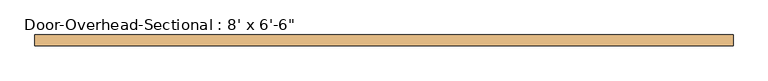
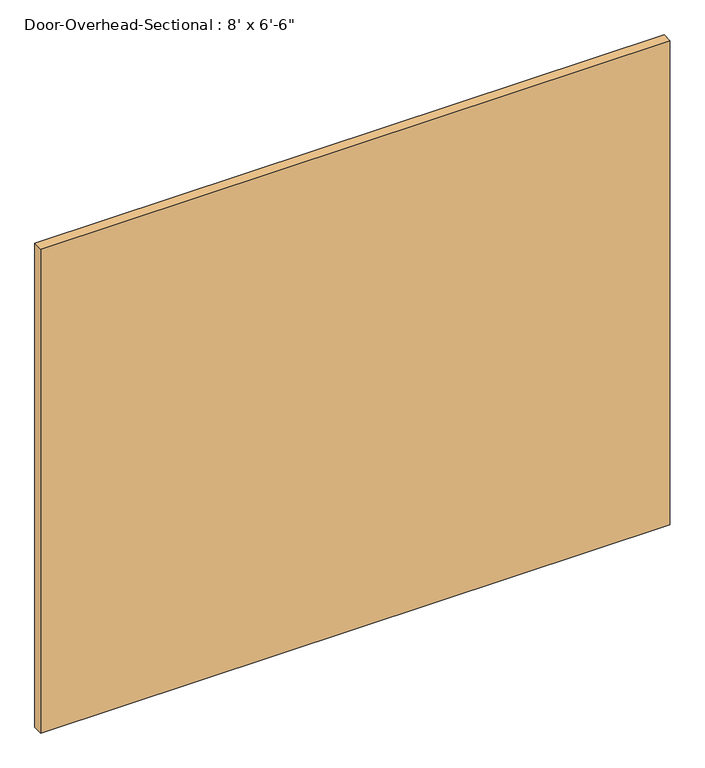
"""IFC4 building model written with IfcOpenShell, lengths in millimetres: door geometry."""

from ifc_helpers import new_model, si_unit, origin, origin_with_axes, place, context, project, spatial, polyline, outline, extrude, source, transform, mapped, element, save


def door_982f6252(model_context):
    return source(origin(), model_context, "Body", "SweptSolid", [
        extrude(outline(polyline([(1219.2, 152.4), (-1219.2, 152.4), (-1219.2, 190.5), (1219.2, 190.5), (1219.2, 152.4)])), origin_with_axes(), (0.0, 0.0, 1.0), 1981.2),
    ])


if __name__ == "__main__":
    model = new_model("IFC4")
    model_context = context("Model", 3, world=origin())
    ifc_project = project(units=[si_unit("LENGTHUNIT", "METRE", prefix="MILLI")], contexts=[model_context])
    site = spatial("IfcSite", under=ifc_project)
    building = spatial("IfcBuilding", under=site)
    placement = place(None, origin())
    door_shape = door_982f6252(model_context)
    element("IfcDoor", 1, ObjectType="Door-Overhead-Sectional : 8' x 6'-6\"", at=placement, inside=building, context=model_context, shape_type="MappedRepresentation", body=[
        mapped(door_shape, transform((0.0, 0.0, 0.0), x_axis=(1.0, 0.0, 0.0), y_axis=(0.0, 1.0, 0.0), z_axis=(0.0, 0.0, 1.0))),
    ])
    save(model, "model.ifc")
